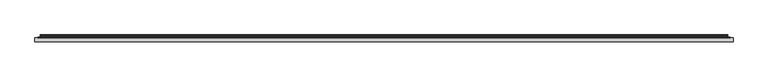
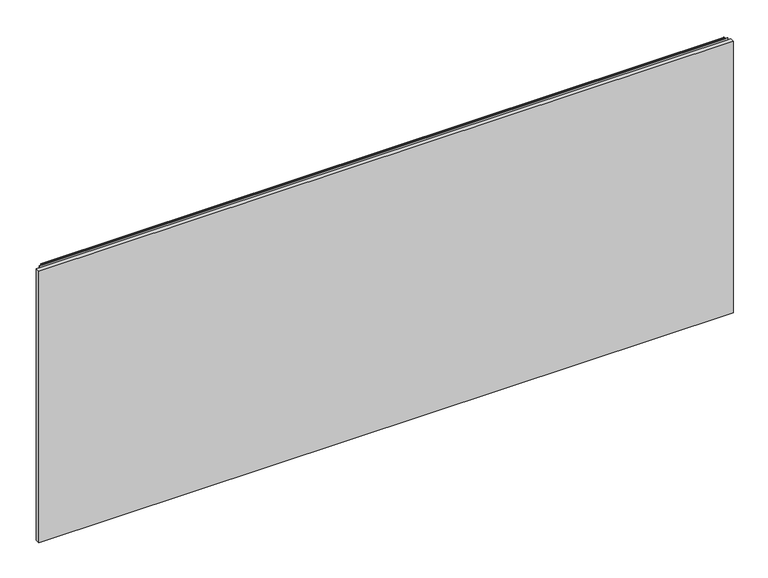
"""IFC4 building model written with IfcOpenShell, lengths in millimetres: furniture geometry."""

from ifc_helpers import new_model, si_unit, point, frame, frame_2d, origin, place, context, project, spatial, polyline, circle_curve, trimmed, segment, composite_curve, outline, extrude, source, transform, mapped, element, save


def furniture_623d80a3(model_context):
    return source(origin(), model_context, "Body", "SweptSolid", [
        extrude(outline(polyline([(1.778, 1.45288), (1.778, 10.9778796), (1522.2219835, 10.9778796), (1522.2219835, 1.45288), (1.778, 1.45288)])), frame((0.0, 0.0, 103.1748), z_axis=(0.0, 0.0, 1.0), x_axis=(1.0, 0.0, 0.0)), (0.0, 0.0, 1.0), 628.5991897),
        extrude(outline(composite_curve([segment(polyline([(10.9778796, 736.2000051), (10.9778796, 737.142493)]), True, "CONTINUOUS"), segment(trimmed(circle_curve(frame_2d((11.6164846, 737.142493)), 0.638605), [point((10.9778796, 737.142493))], [point((11.6164846, 737.781098))], False, "CARTESIAN"), True, "CONTINUOUS"), segment(polyline([(11.6164846, 737.781098), (13.251317, 737.781098)]), True, "CONTINUOUS"), segment(trimmed(circle_curve(frame_2d((13.251317, 735.407778)), 2.37332), [point((13.251317, 737.781098))], [point((15.6071079, 735.1198601))], False, "CARTESIAN"), True, "CONTINUOUS"), segment(polyline([(15.6071079, 735.1198601), (15.2080413, 731.8546313)]), True, "CONTINUOUS"), segment(trimmed(circle_curve(frame_2d((17.5068753, 731.5736746)), 2.3159393), [point((15.2080413, 731.8546313))], [point((15.5012134, 730.4157044))], True, "CARTESIAN"), True, "CONTINUOUS"), segment(polyline([(15.5012134, 730.4157044), (16.6600675, 728.4085113), (15.9781592, 728.0148112), (14.819305, 730.0220043)]), True, "CONTINUOUS"), segment(trimmed(circle_curve(frame_2d((17.5068753, 731.5736746)), 3.1033393), [point((14.819305, 730.0220043))], [point((14.4264569, 731.9501543))], False, "CARTESIAN"), True, "CONTINUOUS"), segment(polyline([(14.4264569, 731.9501543), (14.8255236, 735.2153831)]), True, "CONTINUOUS"), segment(trimmed(circle_curve(frame_2d((13.251317, 735.407778)), 1.58592), [point((14.8255236, 735.2153831))], [point((13.251317, 736.993698))], True, "CARTESIAN"), True, "CONTINUOUS"), segment(polyline([(13.251317, 736.993698), (11.7652796, 736.993698), (11.7652796, 736.2000051), (10.9778796, 736.2000051)]), True, "CONTINUOUS")], self_intersect=False)), frame((13.7160002, 0.0, 0.0), z_axis=(1.0, 0.0, 0.0), x_axis=(0.0, 1.0, 0.0)), (0.0, 0.0, 1.0), 1496.5680076),
        extrude(outline(polyline([(8.1280002, 10.9778796), (8.1280002, 11.7652796), (1515.8720078, 11.7652796), (1515.8720078, 10.9778796), (8.1280002, 10.9778796)])), frame((0.0, 0.0, 705.9168108), z_axis=(0.0, 0.0, 1.0), x_axis=(1.0, 0.0, 0.0)), (0.0, 0.0, 1.0), 30.8009179),
    ])


if __name__ == "__main__":
    model = new_model("IFC4")
    model_context = context("Model", 3, world=origin())
    ifc_project = project(units=[si_unit("LENGTHUNIT", "METRE", prefix="MILLI")], contexts=[model_context])
    site = spatial("IfcSite", under=ifc_project)
    building = spatial("IfcBuilding", under=site)
    placement = place(None, origin())
    furniture_shape = furniture_623d80a3(model_context)
    element("IfcFurniture", 1, at=placement, inside=building, context=model_context, shape_type="MappedRepresentation", body=[
        mapped(furniture_shape, transform((0.0, 0.0, 0.0), x_axis=(1.0, 0.0, 0.0), y_axis=(0.0, 1.0, 0.0), z_axis=(0.0, 0.0, 1.0))),
    ])
    save(model, "model.ifc")
